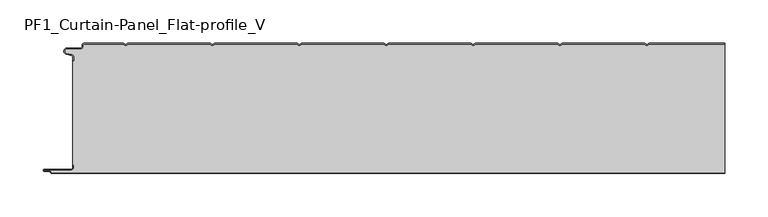
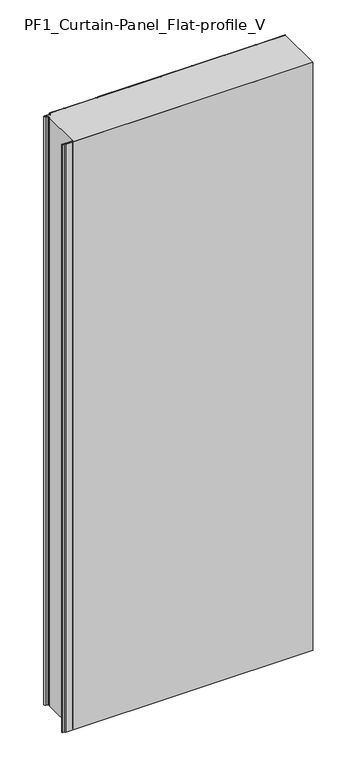
"""IFC4 building model written with IfcOpenShell, lengths in millimetres: plate geometry, PF1_Curtain-Panel_Flat-profile_V."""

from ifc_helpers import new_model, si_unit, point, frame_2d, origin, origin_with_axes, place, context, project, spatial, polyline, circle_curve, trimmed, segment, composite_curve, outline, extrude, source, transform, mapped, element, save


def pf1_curtain_panel_flat_profile_v_9d86ba02(model_context):
    return source(origin(), model_context, "Body", "SweptSolid", [
        extrude(outline(composite_curve([segment(trimmed(circle_curve(frame_2d((-377.0119739, -15.878557)), 2.0), [point((-375.0119739, -15.878557))], [point((-376.5620718, -13.9298169))], True, "CARTESIAN"), True, "CONTINUOUS"), segment(polyline([(-376.5620718, -13.9298169), (-382.7217978, -12.507732)]), True, "CONTINUOUS"), segment(trimmed(circle_curve(frame_2d((-381.9119739, -9.0)), 3.6), [point((-382.7217978, -12.507732))], [point((-381.9119739, -5.4))], False, "CARTESIAN"), True, "CONTINUOUS"), segment(polyline([(-381.9119739, -5.4), (-366.4119739, -5.4)]), True, "CONTINUOUS"), segment(trimmed(circle_curve(frame_2d((-366.4119739, -3.4)), 2.0), [point((-366.4119739, -5.4))], [point((-364.4119739, -3.4))], True, "CARTESIAN"), True, "CONTINUOUS"), segment(polyline([(-364.4119739, -3.4), (-364.4119739, -2.0)]), True, "CONTINUOUS"), segment(trimmed(circle_curve(frame_2d((-362.4119739, -2.0)), 2.0), [point((-364.4119739, -2.0))], [point((-362.4119739, 0.0))], False, "CARTESIAN"), True, "CONTINUOUS"), segment(polyline([(-362.4119739, 0.0), (-317.1119734, 0.0), (-314.4119739, -1.5588455), (-311.7119745, 0.0), (-217.1119734, 0.0), (-214.4119739, -1.5588455), (-211.7119745, 0.0), (-117.1119734, 0.0), (-114.4119739, -1.5588455), (-111.7119745, 0.0), (-17.1119734, 0.0), (-14.4119739, -1.5588455), (-11.7119745, 0.0), (82.8880266, 0.0), (85.5880261, -1.5588455), (88.2880255, 0.0), (182.8880266, 0.0), (185.5880261, -1.5588455), (188.2880255, 0.0), (282.8880266, 0.0), (285.5880261, -1.5588455), (288.2880255, 0.0), (375.0119739, 0.0), (375.0119739, -0.8), (288.5023849, -0.8), (285.5880261, -2.482606), (282.6736672, -0.8), (188.5023849, -0.8), (185.5880261, -2.482606), (182.6736672, -0.8), (88.5023849, -0.8), (85.5880261, -2.482606), (82.6736672, -0.8), (-11.4976151, -0.8), (-14.4119739, -2.482606), (-17.3263328, -0.8), (-111.4976151, -0.8), (-114.4119739, -2.482606), (-117.3263328, -0.8), (-211.4976151, -0.8), (-214.4119739, -2.482606), (-217.3263328, -0.8), (-311.4976151, -0.8), (-314.4119739, -2.482606), (-317.3263328, -0.8), (-362.4119739, -0.8)]), True, "CONTINUOUS"), segment(trimmed(circle_curve(frame_2d((-362.4119739, -2.0)), 1.2), [point((-362.4119739, -0.8))], [point((-363.6119739, -2.0))], True, "CARTESIAN"), True, "CONTINUOUS"), segment(polyline([(-363.6119739, -2.0), (-363.6119739, -3.4)]), True, "CONTINUOUS"), segment(trimmed(circle_curve(frame_2d((-366.4119739, -3.4)), 2.8), [point((-363.6119739, -3.4))], [point((-366.4119739, -6.2))], False, "CARTESIAN"), True, "CONTINUOUS"), segment(polyline([(-366.4119739, -6.2), (-381.9119739, -6.2)]), True, "CONTINUOUS"), segment(trimmed(circle_curve(frame_2d((-381.9119739, -9.0)), 2.8), [point((-381.9119739, -6.2))], [point((-382.541837, -11.7282362))], True, "CARTESIAN"), True, "CONTINUOUS"), segment(polyline([(-382.541837, -11.7282362), (-376.3821109, -13.150321)]), True, "CONTINUOUS"), segment(trimmed(circle_curve(frame_2d((-377.0119739, -15.878557)), 2.8), [point((-376.3821109, -13.150321))], [point((-374.2119739, -15.878557))], False, "CARTESIAN"), True, "CONTINUOUS"), segment(polyline([(-374.2119739, -15.878557), (-374.2119739, -20.0), (-375.0119739, -20.0), (-375.0119739, -15.878557)]), True, "CONTINUOUS")], self_intersect=False)), origin_with_axes(), (0.0, 0.0, 1.0), 1945.7507136),
        extrude(outline(composite_curve([segment(polyline([(-374.2119739, -140.0), (-375.0119739, -140.0), (-375.0119739, -20.0), (-374.2119739, -20.0), (-374.2119739, -15.878557)]), True, "CONTINUOUS"), segment(trimmed(circle_curve(frame_2d((-377.0119739, -15.878557)), 2.8), [point((-374.2119739, -15.878557))], [point((-376.3821109, -13.1503208))], True, "CARTESIAN"), True, "CONTINUOUS"), segment(polyline([(-376.3821109, -13.1503208), (-382.5418369, -11.7282362)]), True, "CONTINUOUS"), segment(trimmed(circle_curve(frame_2d((-381.9119739, -9.0)), 2.8), [point((-382.5418369, -11.7282362))], [point((-381.9119739, -6.2))], False, "CARTESIAN"), True, "CONTINUOUS"), segment(polyline([(-381.9119739, -6.2), (-366.4119739, -6.2)]), True, "CONTINUOUS"), segment(trimmed(circle_curve(frame_2d((-366.4119739, -3.4)), 2.8), [point((-366.4119739, -6.2))], [point((-363.6119739, -3.4))], True, "CARTESIAN"), True, "CONTINUOUS"), segment(polyline([(-363.6119739, -3.4), (-363.6119739, -2.0)]), True, "CONTINUOUS"), segment(trimmed(circle_curve(frame_2d((-362.4119739, -2.0)), 1.2), [point((-363.6119739, -2.0))], [point((-362.4119739, -0.8))], False, "CARTESIAN"), True, "CONTINUOUS"), segment(polyline([(-362.4119739, -0.8), (-317.3263328, -0.8), (-314.4119739, -2.482606), (-311.4976151, -0.8), (-217.3263328, -0.8), (-214.4119739, -2.482606), (-211.4976151, -0.8), (-117.3263328, -0.8), (-114.4119739, -2.482606), (-111.4976151, -0.8), (-17.3263328, -0.8), (-14.4119739, -2.482606), (-11.4976151, -0.8), (82.6736672, -0.8), (85.5880261, -2.482606), (88.5023849, -0.8), (182.6736672, -0.8), (185.5880261, -2.482606), (188.5023849, -0.8), (282.6736672, -0.8), (285.5880261, -2.482606), (288.5023849, -0.8), (375.0119739, -0.8), (375.0119739, -149.2), (-399.4119739, -149.2)]), True, "CONTINUOUS"), segment(trimmed(circle_curve(frame_2d((-399.4119739, -148.4)), 0.8), [point((-399.4119739, -149.2))], [point((-400.2119739, -148.4))], False, "CARTESIAN"), True, "CONTINUOUS"), segment(trimmed(circle_curve(frame_2d((-401.9119739, -148.6133333)), 1.7133333), [point((-400.2119739, -148.4))], [point((-401.9119739, -146.9))], True, "CARTESIAN"), True, "CONTINUOUS"), segment(polyline([(-401.9119739, -146.9), (-407.8820051, -146.9)]), True, "CONTINUOUS"), segment(trimmed(circle_curve(frame_2d((-407.8820051, -146.6)), 0.3), [point((-407.8820051, -146.9))], [point((-407.8820051, -146.3))], False, "CARTESIAN"), True, "CONTINUOUS"), segment(polyline([(-407.8820051, -146.3), (-377.0119739, -146.3)]), True, "CONTINUOUS"), segment(trimmed(circle_curve(frame_2d((-377.0119739, -143.5)), 2.8), [point((-377.0119739, -146.3))], [point((-374.2119739, -143.5))], True, "CARTESIAN"), True, "CONTINUOUS"), segment(polyline([(-374.2119739, -143.5), (-374.2119739, -140.0)]), True, "CONTINUOUS")], self_intersect=False)), origin_with_axes(), (0.0, 0.0, 1.0), 1945.7507136),
        extrude(outline(composite_curve([segment(polyline([(-375.0119739, -140.0), (-374.2119739, -140.0), (-374.2119739, -143.5)]), True, "CONTINUOUS"), segment(trimmed(circle_curve(frame_2d((-377.0119739, -143.5)), 2.8), [point((-374.2119739, -143.5))], [point((-377.0119739, -146.3))], False, "CARTESIAN"), True, "CONTINUOUS"), segment(polyline([(-377.0119739, -146.3), (-407.8820051, -146.3)]), True, "CONTINUOUS"), segment(trimmed(circle_curve(frame_2d((-407.8820051, -146.6)), 0.3), [point((-407.8820051, -146.3))], [point((-407.8820051, -146.9))], True, "CARTESIAN"), True, "CONTINUOUS"), segment(polyline([(-407.8820051, -146.9), (-401.9119739, -146.9)]), True, "CONTINUOUS"), segment(trimmed(circle_curve(frame_2d((-401.9119739, -148.6133333)), 1.7133333), [point((-401.9119739, -146.9))], [point((-400.2119739, -148.4))], False, "CARTESIAN"), True, "CONTINUOUS"), segment(trimmed(circle_curve(frame_2d((-399.4119739, -148.4)), 0.8), [point((-400.2119739, -148.4))], [point((-399.4119739, -149.2))], True, "CARTESIAN"), True, "CONTINUOUS"), segment(polyline([(-399.4119739, -149.2), (375.0119739, -149.2), (375.0119739, -150.0), (-399.4119739, -150.0)]), True, "CONTINUOUS"), segment(trimmed(circle_curve(frame_2d((-399.4119739, -148.4)), 1.6), [point((-399.4119739, -150.0))], [point((-401.0119739, -148.4))], False, "CARTESIAN"), True, "CONTINUOUS"), segment(trimmed(circle_curve(frame_2d((-401.9119739, -148.4)), 0.9), [point((-401.0119739, -148.4))], [point((-401.9119739, -147.5))], True, "CARTESIAN"), True, "CONTINUOUS"), segment(polyline([(-401.9119739, -147.5), (-408.0119739, -147.5)]), True, "CONTINUOUS"), segment(trimmed(circle_curve(frame_2d((-408.0119739, -146.5)), 1.0), [point((-408.0119739, -147.5))], [point((-408.0119739, -145.5))], False, "CARTESIAN"), True, "CONTINUOUS"), segment(polyline([(-408.0119739, -145.5), (-377.0119739, -145.5)]), True, "CONTINUOUS"), segment(trimmed(circle_curve(frame_2d((-377.0119739, -143.5)), 2.0), [point((-377.0119739, -145.5))], [point((-375.0119739, -143.5))], True, "CARTESIAN"), True, "CONTINUOUS"), segment(polyline([(-375.0119739, -143.5), (-375.0119739, -140.0)]), True, "CONTINUOUS")], self_intersect=False)), origin_with_axes(), (0.0, 0.0, 1.0), 1945.7507136),
    ])


if __name__ == "__main__":
    model = new_model("IFC4")
    model_context = context("Model", 3, world=origin())
    ifc_project = project(units=[si_unit("LENGTHUNIT", "METRE", prefix="MILLI")], contexts=[model_context])
    site = spatial("IfcSite", under=ifc_project)
    building = spatial("IfcBuilding", under=site)
    placement = place(None, origin())
    pf1_curtain_panel_flat_profile_v_shape = pf1_curtain_panel_flat_profile_v_9d86ba02(model_context)
    element("IfcPlate", 1, ObjectType="PF1_Curtain-Panel_Flat-profile_V", at=placement, inside=building, context=model_context, shape_type="MappedRepresentation", body=[
        mapped(pf1_curtain_panel_flat_profile_v_shape, transform((0.0, 0.0, 0.0), x_axis=(1.0, 0.0, 0.0), y_axis=(0.0, 1.0, 0.0), z_axis=(0.0, 0.0, 1.0))),
    ])
    save(model, "model.ifc")
